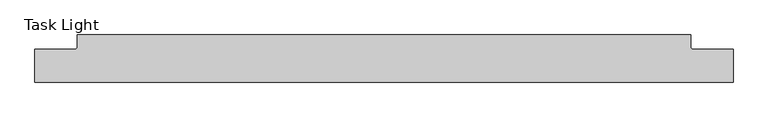
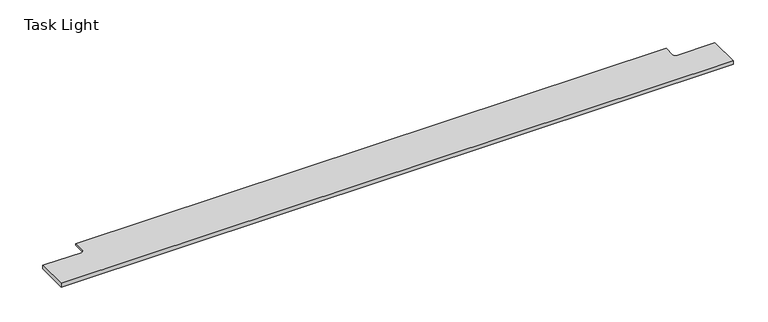
"""IFC4 building model written with IfcOpenShell, lengths in millimetres: light fixture geometry, Task Light."""

from ifc_helpers import new_model, si_unit, frame, origin, place, context, project, spatial, polyline, circle_curve, source, transform, mapped, element, save
from ifc_brep_helpers import plane_surface, revolved_surface, advanced_brep


def task_light_f32377d4(model_context):
    return source(origin(), model_context, "Body", "AdvancedBrep", [
        advanced_brep(
        [(-943.61, 29.2199219, -2.5146), (-943.61, 29.2199219, 2.4854), (-937.26, 35.5699219, 2.4854), (-937.26, 35.5699219, -2.5146), (-937.26, 73.2394219, 2.4854), (-937.26, 73.2394219, -2.5146), (937.26, 35.5699219, 2.4854), (937.26, 35.5699219, -2.5146), (937.26, 73.2394219, -2.5146), (937.26, 73.2394219, 2.4854), (943.61, 29.2199219, 2.4854), (943.61, 29.2199219, -2.5146), (-1066.8, -70.7605781, -9.5146), (-1066.8, -70.7605781, 2.4854), (-1066.8, 29.2199219, 2.4854), (-1066.8, 29.2199219, -9.5146), (1066.8, -70.7605781, 2.4854), (1066.8, -70.7605781, -9.5146), (1066.8, 29.2199219, -9.5146), (1066.8, 29.2199219, 2.4854), (-1057.275, -70.7605781, 2.4854), (1057.275, -70.7605781, 2.4854), (1057.275, 29.2199219, 2.4854), (-1057.275, 29.2199219, 2.4854), (-1057.275, -44.1493944, -9.5146), (-1057.275, -64.6562804, -9.5146), (1057.275, -64.6562804, -9.5146), (1057.275, -44.1493944, -9.5146), (-1057.275, -46.719563, 0.0773999), (1057.275, -46.719563, 0.0773999), (1057.275, -62.0861118, 0.0773999), (-1057.275, -62.0861118, 0.0773999)],
        [
            (0, 1),
            (1, 2, circle_curve(frame((-943.61, 35.5699219, 2.4854), z_axis=(0.0, 0.0, 1.0), x_axis=(1.0, 0.0, 0.0)), 6.35)),
            (2, 3),
            (3, 0, circle_curve(frame((-943.61, 35.5699219, -2.5146), z_axis=(0.0, 0.0, -1.0), x_axis=(1.0, 0.0, 0.0)), 6.35)),
            (2, 4),
            (4, 5),
            (5, 3),
            (6, 7),
            (7, 8),
            (8, 9),
            (9, 6),
            (10, 11),
            (11, 7, circle_curve(frame((943.61, 35.5699219, -2.5146), z_axis=(0.0, 0.0, -1.0), x_axis=(1.0, 0.0, 0.0)), 6.35)),
            (6, 10, circle_curve(frame((943.61, 35.5699219, 2.4854), z_axis=(0.0, 0.0, 1.0), x_axis=(1.0, 0.0, 0.0)), 6.35)),
            (12, 13),
            (13, 14),
            (14, 15),
            (15, 12),
            (16, 17),
            (17, 18),
            (18, 19),
            (19, 16),
            (13, 20),
            (20, 21),
            (21, 16),
            (19, 22),
            (22, 10),
            (9, 4),
            (1, 23),
            (23, 14),
            (8, 5),
            (11, 0),
            (18, 15),
            (17, 12),
            (24, 25),
            (25, 26),
            (26, 27),
            (27, 24),
            (28, 29),
            (29, 30),
            (30, 31),
            (31, 28),
            (30, 26),
            (25, 31),
            (29, 27),
            (24, 28),
        ],
        [
            revolved_surface(polyline([(-937.26, 35.5699219, 2.4854000000000003), (-937.26, 35.5699219, -2.5145999999999997)]), (-943.61, 35.5699219, 8.9101779), (0.0, 0.0, 1.0)),
            plane_surface(frame((-937.26, 35.5699219, 8.9101779), z_axis=(-1.0, 0.0, 0.0), x_axis=(0.0, 0.0, -1.0))),
            plane_surface(frame((937.26, 86.3699219, 8.9101779), z_axis=(1.0, 0.0, 0.0), x_axis=(0.0, 0.0, -1.0))),
            revolved_surface(polyline([(949.96, 35.5699219, 2.4854000000000003), (949.96, 35.5699219, -2.5145999999999997)]), (943.61, 35.5699219, 8.9101779), (0.0, 0.0, 1.0)),
            plane_surface(frame((-1066.8, 29.2199219, 0.0), z_axis=(-1.0, 0.0, 0.0), x_axis=(0.0, 0.0, 1.0))),
            plane_surface(frame((1066.8, 29.2199219, 0.0), z_axis=(1.0, 0.0, 0.0), x_axis=(0.0, 0.0, 1.0))),
            plane_surface(frame((-1066.8, -70.7605781, 2.4854), z_axis=(0.0, 0.0, 1.0), x_axis=(1.0, 0.0, 0.0))),
            plane_surface(frame((-1066.8, 73.2394219, 2.4854), z_axis=(0.0, 1.0, 0.0), x_axis=(1.0, 0.0, 0.0))),
            plane_surface(frame((-1066.8, 73.2394219, -2.5146), z_axis=(0.0, 0.0, -1.0), x_axis=(1.0, 0.0, 0.0))),
            plane_surface(frame((-1066.8, 29.2199219, -2.5146), z_axis=(0.0, 1.0, 0.0), x_axis=(1.0, 0.0, 0.0))),
            plane_surface(frame((-1066.8, 29.2199219, -9.5146), z_axis=(0.0, 0.0, -1.0), x_axis=(1.0, 0.0, 0.0))),
            plane_surface(frame((-1066.8, -46.719563, 0.0773999), z_axis=(0.0, 0.0, -1.0), x_axis=(1.0, 0.0, 0.0))),
            plane_surface(frame((-1066.8, -62.0861118, 0.0773999), z_axis=(0.0, 0.9659258262890653, -0.25881904510253223), x_axis=(1.0, 0.0, 0.0))),
            plane_surface(frame((-1066.8, -70.7605781, -9.5146), z_axis=(0.0, -1.0, 0.0), x_axis=(1.0, 0.0, 0.0))),
            plane_surface(frame((1057.275, -70.7605781, -9.5146), z_axis=(-1.0, 0.0, 0.0), x_axis=(0.0, 0.0, 1.0))),
            plane_surface(frame((-1057.275, 29.2199219, -9.5146), z_axis=(1.0, 0.0, 0.0), x_axis=(0.0, 0.0, 1.0))),
            plane_surface(frame((-1066.8, -44.1493944, -9.5146), z_axis=(0.0, -0.9659258262890662, -0.2588190451025288), x_axis=(1.0, 0.0, 0.0))),
        ],
        [
            (0, [[1, 2, 3, 4]]),
            (1, [[-3, 5, 6, 7]]),
            (2, [[8, 9, 10, 11]]),
            (3, [[12, 13, -8, 14]]),
            (4, [[15, 16, 17, 18]]),
            (5, [[19, 20, 21, 22]]),
            (6, [[-16, 23, 24, 25, -22, 26, 27, -14, -11, 28, -5, -2, 29, 30]]),
            (7, [[-28, -10, 31, -6]]),
            (8, [[-31, -9, -13, 32, -4, -7]]),
            (9, [[-32, -12, -27, -26, -21, 33, -17, -30, -29, -1]]),
            (10, [[-18, -33, -20, 34], [35, 36, 37, 38]]),
            (11, [[39, 40, 41, 42]]),
            (12, [[-41, 43, -36, 44]]),
            (13, [[-15, -34, -19, -25, -24, -23]]),
            (14, [[-37, -43, -40, 45]]),
            (15, [[-35, 46, -42, -44]]),
            (16, [[-39, -46, -38, -45]]),
        ],
    ),
    ])


if __name__ == "__main__":
    model = new_model("IFC4")
    model_context = context("Model", 3, world=origin())
    ifc_project = project(units=[si_unit("LENGTHUNIT", "METRE", prefix="MILLI")], contexts=[model_context])
    site = spatial("IfcSite", under=ifc_project)
    building = spatial("IfcBuilding", under=site)
    placement = place(None, origin())
    task_light_shape = task_light_f32377d4(model_context)
    element("IfcLightFixture", 1, ObjectType="Task Light", at=placement, inside=building, context=model_context, shape_type="MappedRepresentation", body=[
        mapped(task_light_shape, transform((0.0, 0.0, 0.0), x_axis=(1.0, 0.0, 0.0), y_axis=(0.0, 1.0, 0.0), z_axis=(0.0, 0.0, 1.0))),
    ])
    save(model, "model.ifc")
